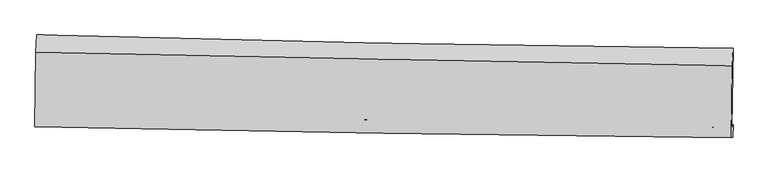
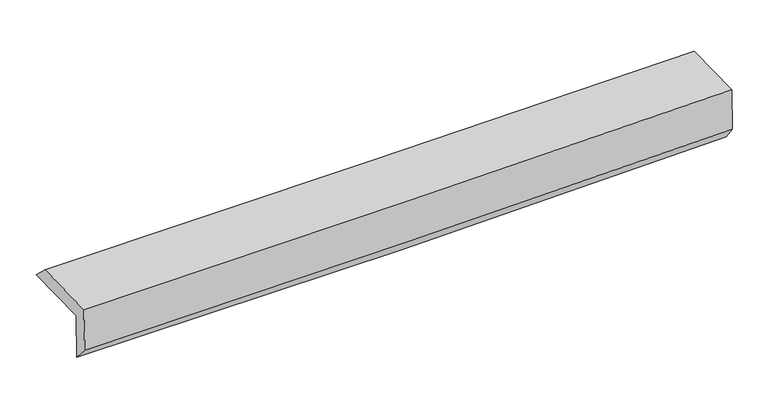
"""IFC4 building model written with IfcOpenShell, lengths in millimetres: proxy geometry."""

from ifc_helpers import new_model, si_unit, frame, origin, place, context, project, spatial, source, transform, mapped, element, save
from ifc_brep_helpers import plane_surface, spline_curve, spline_surface, advanced_brep


def generic_models_6f7d98e9(model_context):
    return source(origin(), model_context, "Body", "AdvancedBrep", [
        advanced_brep(
        [(-3037.2440479, -1744.7665101, 1966.4428218), (-3028.008316, -1080.7461515, 1970.1980496), (3024.2106314, -1197.4049487, 2106.8994132), (3014.5816685, -1881.8069322, 2107.6608287), (-3027.2498214, -1740.3063498, 1547.2760962), (3024.584935, -1861.7323263, 1697.3669668), (-3032.7772721, -1874.3362657, 1701.1271761), (3019.6666539, -1969.8396162, 1840.8716835), (-3042.5752434, -1880.0148483, 2111.288738), (3010.1092665, -1975.3787642, 2240.961946), (-3033.4574172, -1231.6590324, 2110.7361285), (3018.9459273, -1347.0162316, 2240.4263772)],
        [
            (0, 1),
            (1, 2, spline_curve(3, [(-3028.008316, -1080.7461515, 1970.1980496), (-2019.040652903, -1110.989852704, 1974.844134367), (-1010.198466011, -1135.833327906, 1988.559231958), (1007.207843136, -1174.719303487, 2034.126840837), (2015.771971983, -1188.762093979, 2065.97886432), (3024.2106314, -1197.4049487, 2106.8994132)], [4, 2, 4], [0.0, 9.9332283017729, 19.866189612458058])),
            (2, 3),
            (3, 0, spline_curve(3, [(3014.5816685, -1881.8069322, 2107.6608287), (2006.266004308, -1863.354727568, 2067.363047027), (997.796142195, -1842.708773161, 2035.44603464), (-1019.479088508, -1797.028750124, 1988.372914922), (-2028.284465153, -1771.994563982, 1973.217258669), (-3037.2440479, -1744.7665101, 1966.4428218)], [4, 2, 4], [0.0, 9.932961310685158, 19.866189612458058])),
            (4, 0),
            (3, 5),
            (5, 4, spline_curve(3, [(3024.584935, -1861.7323263, 1697.3669668), (2016.269740257, -1844.702963827, 1656.206074826), (1007.799359604, -1826.069608929, 1623.118115725), (-1009.478883958, -1785.594369705, 1573.087391489), (-2018.28675563, -1763.752399199, 1556.145060393), (-3027.2498214, -1740.3063498, 1547.2760962)], [4, 2, 4], [0.0, 9.932893282998908, 19.866053555257018])),
            (6, 4),
            (5, 7),
            (7, 6, spline_curve(3, [(3019.6666539, -1969.8396162, 1840.8716835), (2010.984299231, -1959.059962617, 1811.502824841), (1002.279573531, -1945.711664863, 1785.173135441), (-1015.201733814, -1913.877352901, 1738.591469726), (-2023.978316897, -1895.391200563, 1718.339656546), (-3032.7772721, -1874.3362657, 1701.1271761)], [4, 2, 4], [0.0, 9.932527209319888, 19.865321398059173])),
            (8, 6),
            (7, 9),
            (9, 8, spline_curve(3, [(3010.1092665, -1975.3787642, 2240.961946), (2001.306620266, -1964.668827551, 2216.628714564), (992.521700017, -1951.367007958, 2193.656125099), (-1025.039804177, -1919.57917543, 2150.431649187), (-2033.816387054, -1901.093023235, 2130.179836159), (-3042.5752434, -1880.0148483, 2111.288738)], [4, 2, 4], [0.0, 9.932372276815228, 19.865011528885375])),
            (10, 8),
            (9, 11),
            (11, 10, spline_curve(3, [(3018.9459273, -1347.0162316, 2240.4263772), (2010.24282292, -1329.228020266, 2216.087112823), (1001.531104064, -1310.720953338, 2193.110086577), (-1015.936677165, -1272.268592483, 2149.879930633), (-2024.692739556, -1252.323259303, 2129.626873664), (-3033.4574172, -1231.6590324, 2110.7361285)], [4, 2, 4], [0.0, 9.932389307723364, 19.865045591159426])),
            (1, 10),
            (11, 2),
        ],
        [
            spline_surface(3, 3, [[(-3037.2440479, -1744.7665101, 1966.4428218), (-2028.284465125, -1771.994564091, 1973.217258563), (-1019.479088416, -1797.028750262, 1988.372915036), (997.796142103, -1842.708773022, 2035.446034526), (2006.266004178, -1863.354727562, 2067.363047062), (3014.5816685, -1881.8069322, 2107.6608287)], [(-3034.165470589, -1523.426390559, 1967.694564382), (-2025.203194379, -1551.65966033, 1973.75955049), (-1016.385547595, -1576.630276172, 1988.43502072), (1000.933375766, -1620.04561649, 2035.00630329), (2009.434660093, -1638.490516372, 2066.901652825), (3017.791322793, -1653.672937695, 2107.407023549)], [(-3031.086893311, -1302.086271041, 1968.946307018), (-2022.121923666, -1331.324756594, 1974.301842472), (-1013.29200678, -1356.231802069, 1988.497126349), (1004.070609422, -1397.382459945, 2034.566571999), (2012.60331603, -1413.626305196, 2066.440258541), (3021.000977107, -1425.538943205, 2107.153218351)], [(-3028.008316, -1080.7461515, 1970.1980496), (-2019.04065292, -1110.989852833, 1974.844134399), (-1010.198465959, -1135.83332798, 1988.559232033), (1007.207843085, -1174.719303414, 2034.126840763), (2015.771971945, -1188.762094005, 2065.978864304), (3024.2106314, -1197.4049487, 2106.8994132)]], [4, 4], [4, 2, 4], [0.0, 2.180637500767036], [0.0, 9.9332283017729, 19.866189612458058]),
            spline_surface(3, 3, [[(-3027.2498214, -1740.3063498, 1547.2760962), (-2018.286755696, -1763.752399142, 1556.145060346), (-1009.478884072, -1785.594369683, 1573.087391506), (1007.799359718, -1826.069608952, 1623.118115707), (2016.269740228, -1844.702963914, 1656.206074736), (3024.584935, -1861.7323263, 1697.3669668)], [(-3030.58123026, -1741.793069896, 1686.998338085), (-2021.619325532, -1766.499787455, 1695.169126436), (-1012.812285505, -1789.40582989, 1711.515899328), (1004.464953861, -1831.615996989, 1760.560755292), (2012.935161527, -1850.920218456, 1793.258398836), (3021.250512816, -1868.423861592, 1834.131587425)], [(-3033.91263904, -1743.279790004, 1826.720579915), (-2024.951895289, -1769.247175779, 1834.193192472), (-1016.145686982, -1793.217290055, 1849.944407215), (1001.13054796, -1837.162384985, 1898.003394941), (2009.600582879, -1857.137473021, 1930.310722962), (3017.916090684, -1875.115396908, 1970.896208075)], [(-3037.2440479, -1744.7665101, 1966.4428218), (-2028.284465125, -1771.994564091, 1973.217258563), (-1019.479088416, -1797.028750262, 1988.372915036), (997.796142103, -1842.708773022, 2035.446034526), (2006.266004178, -1863.354727562, 2067.363047062), (3014.5816685, -1881.8069322, 2107.6608287)]], [4, 4], [4, 2, 4], [0.0, 1.3588108427887535], [0.0, 9.93316027225811, 19.866053555257018]),
            spline_surface(3, 3, [[(-3032.7772721, -1874.3362657, 1701.1271761), (-2023.978316875, -1895.391200464, 1718.339656536), (-1015.201733861, -1913.877352843, 1738.591469656), (1002.279573579, -1945.711664921, 1785.173135511), (2010.984299281, -1959.059962709, 1811.502824849), (3019.6666539, -1969.8396162, 1840.8716835)], [(-3030.934788533, -1829.65962709, 1649.843482804), (-2022.081129814, -1851.511600047, 1664.274791143), (-1013.294117253, -1871.116358465, 1683.423443607), (1004.119502304, -1905.830979607, 1731.154795577), (2012.746112954, -1920.940963132, 1759.737241483), (3021.306080958, -1933.803852921, 1793.036777939)], [(-3029.092304967, -1784.98298841, 1598.559789496), (-2020.183942756, -1807.63199956, 1610.209925738), (-1011.38650068, -1828.35536406, 1628.255417555), (1005.959430993, -1865.950294266, 1677.136455641), (2014.507926555, -1882.821963491, 1707.971658102), (3022.945507942, -1897.768089579, 1745.201872361)], [(-3027.2498214, -1740.3063498, 1547.2760962), (-2018.286755696, -1763.752399142, 1556.145060346), (-1009.478884072, -1785.594369683, 1573.087391506), (1007.799359718, -1826.069608952, 1623.118115707), (2016.269740228, -1844.702963914, 1656.206074736), (3024.584935, -1861.7323263, 1697.3669668)]], [4, 4], [4, 2, 4], [0.0, 0.674147458497221], [0.0, 9.932794188739285, 19.865321398059173]),
            spline_surface(3, 3, [[(-3042.5752434, -1880.0148483, 2111.288738), (-2033.816387122, -1901.093023098, 2130.179836014), (-1025.039804209, -1919.579175376, 2150.431649234), (992.521700048, -1951.367008012, 2193.656125051), (2001.306620427, -1964.668827687, 2216.628714491), (3010.1092665, -1975.3787642, 2240.961946)], [(-3039.309252945, -1878.121987437, 1974.568217364), (-2030.537030351, -1899.192415557, 1992.899776186), (-1021.760447437, -1917.678567835, 2013.151589406), (995.774324547, -1949.481893619, 2057.495128569), (2004.532513371, -1962.799206025, 2081.586751276), (3013.295062293, -1973.532381531, 2107.598525166)], [(-3036.043262555, -1876.229126563, 1837.847696736), (-2027.257673646, -1897.291808005, 1855.619716364), (-1018.481090632, -1915.777960384, 1875.871529485), (999.02694908, -1947.596779314, 1921.334131993), (2007.758406336, -1960.929584371, 1946.544788064), (3016.480858107, -1971.685998869, 1974.235104334)], [(-3032.7772721, -1874.3362657, 1701.1271761), (-2023.978316875, -1895.391200464, 1718.339656536), (-1015.201733861, -1913.877352843, 1738.591469656), (1002.279573579, -1945.711664921, 1785.173135511), (2010.984299281, -1959.059962709, 1811.502824849), (3019.6666539, -1969.8396162, 1840.8716835)]], [4, 4], [4, 2, 4], [0.0, 1.3461874555287747], [0.0, 9.932639252070148, 19.865011528885375]),
            spline_surface(3, 3, [[(-3033.4574172, -1231.6590324, 2110.7361285), (-2024.692739579, -1252.323259412, 2129.626873696), (-1015.936677055, -1272.26859237, 2149.879930526), (1001.531103954, -1310.720953451, 2193.110086684), (2010.242822985, -1329.228020241, 2216.087112704), (3018.9459273, -1347.0162316, 2240.4263772)], [(-3036.496692626, -1447.777637689, 2110.920331676), (-2027.733955453, -1468.579847297, 2129.811194478), (-1018.971052777, -1488.038786717, 2150.063836743), (998.527969315, -1524.269638316, 2193.292099454), (2007.264088805, -1541.041622726, 2216.267646621), (3016.000373706, -1556.470409136, 2240.604900121)], [(-3039.535967974, -1663.896243011, 2111.104534824), (-2030.775171249, -1684.836435214, 2129.995515232), (-1022.005428487, -1703.808981029, 2150.247743017), (995.524834687, -1737.818323146, 2193.474112281), (2004.285354607, -1752.855225202, 2216.448180574), (3013.054820094, -1765.924586664, 2240.783423079)], [(-3042.5752434, -1880.0148483, 2111.288738), (-2033.816387122, -1901.093023098, 2130.179836014), (-1025.039804209, -1919.579175376, 2150.431649234), (992.521700048, -1951.367008012, 2193.656125051), (2001.306620427, -1964.668827687, 2216.628714491), (3010.1092665, -1975.3787642, 2240.961946)]], [4, 4], [4, 2, 4], [0.0, 2.1129997318098894], [0.0, 9.932656283436062, 19.865045591159426]),
            spline_surface(3, 3, [[(-3028.008316, -1080.7461515, 1970.1980496), (-2019.04065292, -1110.989852833, 1974.844134399), (-1010.198465959, -1135.83332798, 1988.559232033), (1007.207843085, -1174.719303414, 2034.126840763), (2015.771971945, -1188.762094005, 2065.978864304), (3024.2106314, -1197.4049487, 2106.8994132)], [(-3029.824683048, -1131.05044513, 2017.044075888), (-2020.924681788, -1158.100988356, 2026.43838082), (-1012.111203005, -1181.311749434, 2042.332798188), (1005.315596695, -1220.05318675, 2087.12125606), (2013.928922293, -1235.584069409, 2116.014947105), (3022.455730035, -1247.275376325, 2151.408401201)], [(-3031.641050152, -1181.35473877, 2063.890102212), (-2022.808710712, -1205.21212389, 2078.032627275), (-1014.02394001, -1226.790170916, 2096.106364371), (1003.423350345, -1265.387070114, 2140.115671386), (2012.085872637, -1282.406044838, 2166.051029904), (3020.700828665, -1297.145803975, 2195.917389199)], [(-3033.4574172, -1231.6590324, 2110.7361285), (-2024.692739579, -1252.323259412, 2129.626873696), (-1015.936677055, -1272.26859237, 2149.879930526), (1001.531103954, -1310.720953451, 2193.110086684), (2010.242822985, -1329.228020241, 2216.087112704), (3018.9459273, -1347.0162316, 2240.4263772)]], [4, 4], [4, 2, 4], [0.0, 0.6900434587605542], [0.0, 9.93287031543241, 19.865473649399245]),
            plane_surface(frame((3018.6831804, -1705.5298032, 2039.0312026), z_axis=(0.9996209207674381, -0.014037479567773339, 0.02368467714459223), x_axis=(0.023878978011506055, 0.013839471837724604, -0.9996190591562262))),
            plane_surface(frame((-3033.5520197, -1591.9715263, 1901.1781684), z_axis=(-0.9996209207674381, 0.01403747956735708, -0.023684677144840686), x_axis=(-0.013907240871342992, -0.9998873004263346, -0.00565465272881064))),
        ],
        [
            (0, [[1, 2, 3, 4]]),
            (1, [[5, -4, 6, 7]]),
            (2, [[8, -7, 9, 10]]),
            (3, [[11, -10, 12, 13]]),
            (4, [[14, -13, 15, 16]]),
            (5, [[17, -16, 18, -2]]),
            (6, [[-12, -9, -6, -3, -18, -15]]),
            (7, [[-1, -5, -8, -11, -14, -17]]),
        ],
    ),
    ])


if __name__ == "__main__":
    model = new_model("IFC4")
    model_context = context("Model", 3, world=origin())
    ifc_project = project(units=[si_unit("LENGTHUNIT", "METRE", prefix="MILLI")], contexts=[model_context])
    site = spatial("IfcSite", under=ifc_project)
    building = spatial("IfcBuilding", under=site)
    placement = place(None, origin())
    generic_models_shape = generic_models_6f7d98e9(model_context)
    element("IfcBuildingElementProxy", 1, Name="Generic Models", at=placement, inside=building, context=model_context, shape_type="MappedRepresentation", body=[
        mapped(generic_models_shape, transform((0.0, 0.0, 0.0), x_axis=(1.0, 0.0, 0.0), y_axis=(0.0, 1.0, 0.0), z_axis=(0.0, 0.0, 1.0))),
    ])
    save(model, "model.ifc")
